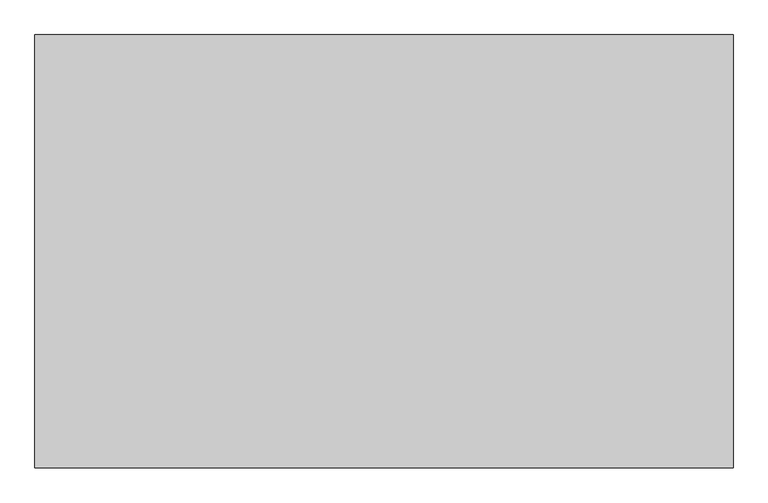
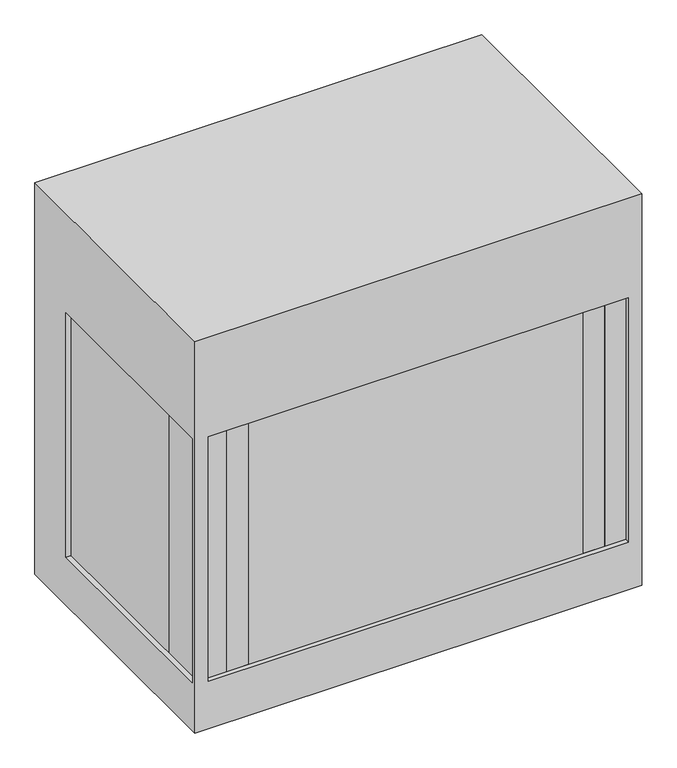
"""IFC4 building model written with IfcOpenShell, lengths in millimetres: proxy geometry."""

from ifc_helpers import new_model, si_unit, frame, origin, place, context, project, spatial, polyline, outline, extrude, faceted_brep, source, transform, mapped, element, save


def generic_models_8217f7bf(model_context):
    return source(origin(), model_context, "Body", "SolidModel", [
        extrude(outline(polyline([(531.01875, 130.175), (531.01875, 11.1125), (527.8725759, 11.1125), (527.8725759, 130.175), (531.01875, 130.175)])), frame((0.0, 0.0, 122.2375), z_axis=(0.0, 0.0, 1.0), x_axis=(1.0, 0.0, 0.0)), (0.0, 0.0, 1.0), 628.65),
        extrude(outline(polyline([(-531.01875, 11.1125), (-531.01875, 130.175), (-527.8725759, 130.175), (-527.8725759, 11.1125), (-531.01875, 11.1125)])), frame((0.0, 0.0, 122.2375), z_axis=(0.0, 0.0, 1.0), x_axis=(1.0, 0.0, 0.0)), (0.0, 0.0, 1.0), 628.65),
        extrude(outline(polyline([(511.175, 11.1125), (459.58125, 11.1125), (459.58125, 14.2875), (511.175, 14.2875), (511.175, 11.1125)])), frame((0.0, 0.0, 122.2375), z_axis=(0.0, 0.0, 1.0), x_axis=(1.0, 0.0, 0.0)), (0.0, 0.0, 1.0), 628.65),
        extrude(outline(polyline([(459.58125, 11.1125), (407.9875, 11.1125), (407.9875, 14.2875), (459.58125, 14.2875), (459.58125, 11.1125)])), frame((0.0, 0.0, 122.2375), z_axis=(0.0, 0.0, 1.0), x_axis=(1.0, 0.0, 0.0)), (0.0, 0.0, 1.0), 628.65),
        extrude(outline(polyline([(-407.9875, 11.1125), (-459.58125, 11.1125), (-459.58125, 14.2875), (-407.9875, 14.2875), (-407.9875, 11.1125)])), frame((0.0, 0.0, 122.2375), z_axis=(0.0, 0.0, 1.0), x_axis=(1.0, 0.0, 0.0)), (0.0, 0.0, 1.0), 628.65),
        extrude(outline(polyline([(-459.58125, 11.1125), (-511.175, 11.1125), (-511.175, 14.2875), (-459.58125, 14.2875), (-459.58125, 11.1125)])), frame((0.0, 0.0, 122.2375), z_axis=(0.0, 0.0, 1.0), x_axis=(1.0, 0.0, 0.0)), (0.0, 0.0, 1.0), 628.65),
        faceted_brep([(543.71875, 0.0, 1006.475), (543.71875, 674.6875, 1006.475), (-543.71875, 674.6875, 1006.475), (-543.71875, 0.0, 1006.475), (543.71875, 0.0, 0.0), (-543.71875, 0.0, 0.0), (-543.71875, 674.6875, 0.0), (543.71875, 674.6875, 0.0), (-511.175, 0.0, 750.8875), (511.175, 0.0, 750.8875), (511.175, 0.0, 122.2375), (-511.175, 0.0, 122.2375), (543.71875, 544.5125, 122.2375), (543.71875, 11.1125, 122.2375), (543.71875, 11.1125, 750.8875), (543.71875, 544.5125, 750.8875), (-543.71875, 11.1125, 122.2375), (-543.71875, 544.5125, 122.2375), (-543.71875, 544.5125, 750.8875), (-543.71875, 11.1125, 750.8875), (511.175, 11.1125, 750.8875), (-511.175, 11.1125, 750.8875), (-511.175, 11.1125, 122.2375), (511.175, 11.1125, 122.2375), (531.01875, 11.1125, 122.2375), (531.01875, 544.5125, 122.2375), (531.01875, 544.5125, 750.8875), (531.01875, 11.1125, 750.8875), (-531.01875, 11.1125, 122.2375), (-531.01875, 11.1125, 750.8875), (-531.01875, 544.5125, 750.8875), (-531.01875, 544.5125, 122.2375)], [[[0, 1, 2, 3]], [[4, 5, 6, 7]], [[0, 3, 5, 4], [8, 9, 10, 11]], [[1, 0, 4, 7], [12, 13, 14, 15]], [[2, 1, 7, 6]], [[3, 2, 6, 5], [16, 17, 18, 19]], [[20, 21, 22, 23]], [[21, 20, 9, 8]], [[22, 21, 8, 11]], [[23, 22, 11, 10]], [[20, 23, 10, 9]], [[24, 25, 26, 27]], [[25, 24, 13, 12]], [[26, 25, 12, 15]], [[27, 26, 15, 14]], [[24, 27, 14, 13]], [[28, 29, 30, 31]], [[28, 31, 17, 16]], [[31, 30, 18, 17]], [[30, 29, 19, 18]], [[29, 28, 16, 19]]]),
    ])


if __name__ == "__main__":
    model = new_model("IFC4")
    model_context = context("Model", 3, world=origin())
    ifc_project = project(units=[si_unit("LENGTHUNIT", "METRE", prefix="MILLI")], contexts=[model_context])
    site = spatial("IfcSite", under=ifc_project)
    building = spatial("IfcBuilding", under=site)
    placement = place(None, origin())
    generic_models_shape = generic_models_8217f7bf(model_context)
    element("IfcBuildingElementProxy", 1, Name="Generic Models", at=placement, inside=building, context=model_context, shape_type="MappedRepresentation", body=[
        mapped(generic_models_shape, transform((0.0, 0.0, 0.0), x_axis=(1.0, 0.0, 0.0), y_axis=(0.0, 1.0, 0.0), z_axis=(0.0, 0.0, 1.0))),
    ])
    save(model, "model.ifc")
